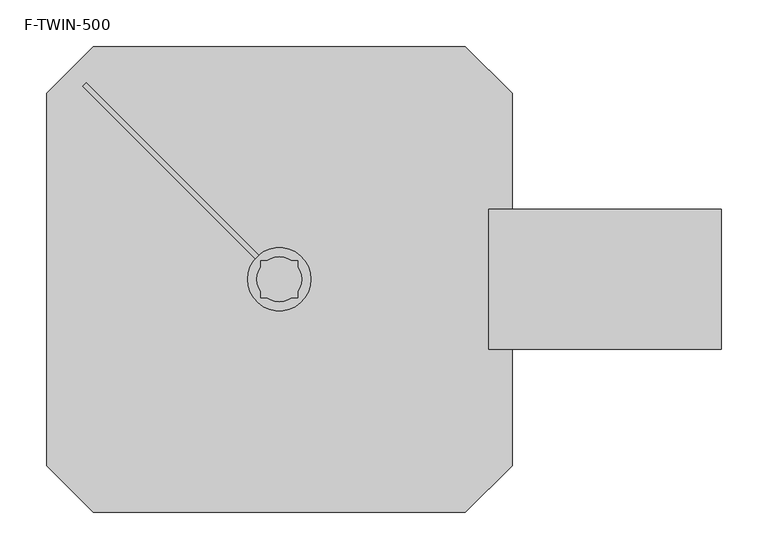
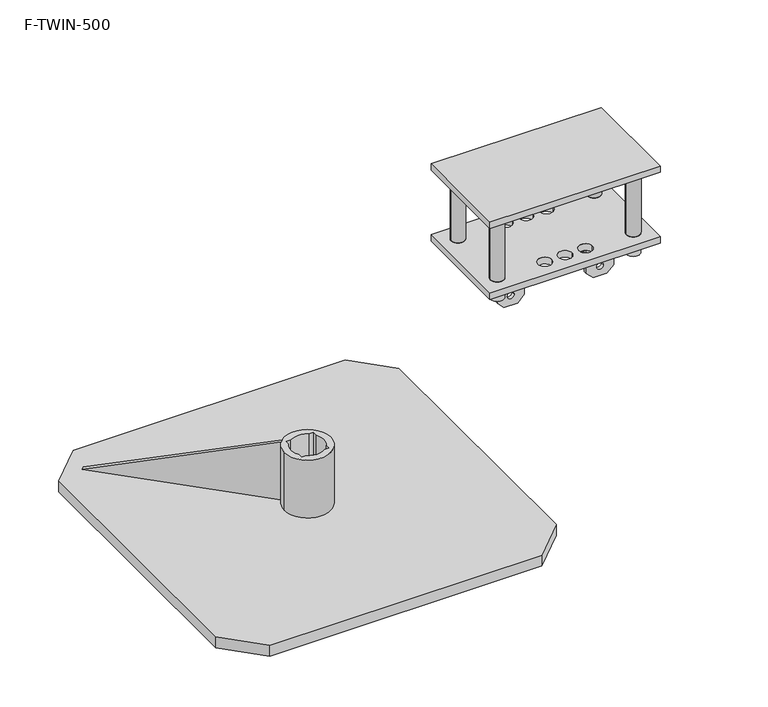
"""IFC4 building model written with IfcOpenShell, lengths in millimetres: beam geometry, F-TWIN-500."""

from ifc_helpers import new_model, si_unit, point, frame, frame_2d, origin, origin_with_axes, origin_2d, place, context, project, spatial, polyline, circle_curve, trimmed, segment, composite_curve, outline, extrude, source, transform, mapped, element, save


def f_twin_500_7c3d03f3(model_context):
    return source(origin(), model_context, "Body", "SweptSolid", [
        extrude(outline(polyline([(0.0, 0.0), (-247.7880551, -85.1180342), (-277.0270745, 0.0), (0.0, 0.0)])), frame((-211.0713742, 207.5358403, 17.0), z_axis=(0.7071067811865491, 0.7071067811865459, 0.0), x_axis=(-0.6687504353591679, 0.6687504353591709, -0.32487799312025273)), (0.0, 0.0, 1.0), 5.0),
        extrude(outline(composite_curve([segment(trimmed(circle_curve(origin_2d(), 34.0), [point((-34.0, 0.0))], [point((34.0, 0.0))], False, "CARTESIAN"), True, "CONTINUOUS"), segment(trimmed(circle_curve(origin_2d(), 34.0), [point((34.0, 0.0))], [point((-34.0, 0.0))], False, "CARTESIAN"), True, "CONTINUOUS")], self_intersect=False), holes=[composite_curve([segment(polyline([(-13.2664992, 20.0), (-20.0, 20.0), (-20.0, 13.2664992)]), True, "CONTINUOUS"), segment(trimmed(circle_curve(origin_2d(), 24.0), [point((-20.0, 13.2664992))], [point((-20.0, -13.2664992))], True, "CARTESIAN"), True, "CONTINUOUS"), segment(polyline([(-20.0, -13.2664992), (-20.0, -20.0), (-13.2664992, -20.0)]), True, "CONTINUOUS"), segment(trimmed(circle_curve(origin_2d(), 24.0), [point((-13.2664992, -20.0))], [point((13.2664992, -20.0))], True, "CARTESIAN"), True, "CONTINUOUS"), segment(polyline([(13.2664992, -20.0), (20.0, -20.0), (20.0, -13.2664992)]), True, "CONTINUOUS"), segment(trimmed(circle_curve(origin_2d(), 24.0), [point((20.0, -13.2664992))], [point((20.0, 13.2664992))], True, "CARTESIAN"), True, "CONTINUOUS"), segment(polyline([(20.0, 13.2664992), (20.0, 20.0), (13.2664992, 20.0)]), True, "CONTINUOUS"), segment(trimmed(circle_curve(origin_2d(), 24.0), [point((13.2664992, 20.0))], [point((-13.2664992, 20.0))], True, "CARTESIAN"), True, "CONTINUOUS")], self_intersect=False)]), frame((0.0, 0.0, 17.0), z_axis=(0.0, 0.0, 1.0), x_axis=(1.0, 0.0, 0.0)), (0.0, 0.0, 1.0), 90.0),
        extrude(outline(polyline([(200.0, 250.0), (250.0, 200.0), (250.0, -200.0), (200.0, -250.0), (-200.0, -250.0), (-250.0, -200.0), (-250.0, 200.0), (-200.0, 250.0), (200.0, 250.0)])), origin_with_axes(), (0.0, 0.0, 1.0), 17.0),
        extrude(outline(composite_curve([segment(trimmed(circle_curve(frame_2d((250.0, -50.0)), 10.0), [point((260.0, -50.0))], [point((240.0, -50.0))], False, "CARTESIAN"), True, "CONTINUOUS"), segment(trimmed(circle_curve(frame_2d((250.0, -50.0)), 10.0), [point((240.0, -50.0))], [point((260.0, -50.0))], False, "CARTESIAN"), True, "CONTINUOUS")], self_intersect=False)), frame((0.0, 0.0, 280.0), z_axis=(0.0, 0.0, 1.0), x_axis=(1.0, 0.0, 0.0)), (0.0, 0.0, 1.0), 30.0),
        extrude(outline(composite_curve([segment(trimmed(circle_curve(frame_2d((450.0, -50.0)), 10.0), [point((460.0, -50.0))], [point((440.0, -50.0))], False, "CARTESIAN"), True, "CONTINUOUS"), segment(trimmed(circle_curve(frame_2d((450.0, -50.0)), 10.0), [point((440.0, -50.0))], [point((460.0, -50.0))], False, "CARTESIAN"), True, "CONTINUOUS")], self_intersect=False)), frame((0.0, 0.0, 280.0), z_axis=(0.0, 0.0, 1.0), x_axis=(1.0, 0.0, 0.0)), (0.0, 0.0, 1.0), 30.0),
        extrude(outline(composite_curve([segment(trimmed(circle_curve(frame_2d((250.0, 50.0)), 10.0), [point((260.0, 50.0))], [point((240.0, 50.0))], False, "CARTESIAN"), True, "CONTINUOUS"), segment(trimmed(circle_curve(frame_2d((250.0, 50.0)), 10.0), [point((240.0, 50.0))], [point((260.0, 50.0))], False, "CARTESIAN"), True, "CONTINUOUS")], self_intersect=False)), frame((0.0, 0.0, 280.0), z_axis=(0.0, 0.0, 1.0), x_axis=(1.0, 0.0, 0.0)), (0.0, 0.0, 1.0), 30.0),
        extrude(outline(composite_curve([segment(trimmed(circle_curve(frame_2d((450.0, 50.0)), 10.0), [point((460.0, 50.0))], [point((440.0, 50.0))], False, "CARTESIAN"), True, "CONTINUOUS"), segment(trimmed(circle_curve(frame_2d((450.0, 50.0)), 10.0), [point((440.0, 50.0))], [point((460.0, 50.0))], False, "CARTESIAN"), True, "CONTINUOUS")], self_intersect=False)), frame((0.0, 0.0, 280.0), z_axis=(0.0, 0.0, 1.0), x_axis=(1.0, 0.0, 0.0)), (0.0, 0.0, 1.0), 30.0),
        extrude(outline(polyline([(225.0, -75.0), (225.0, 75.0), (475.0, 75.0), (475.0, -75.0), (225.0, -75.0)])), frame((0.0, 0.0, 410.0), z_axis=(0.0, 0.0, 1.0), x_axis=(1.0, 0.0, 0.0)), (0.0, 0.0, 1.0), 10.0),
        extrude(outline(composite_curve([segment(trimmed(circle_curve(frame_2d((250.0, 50.0)), 10.0), [point((240.0, 50.0))], [point((260.0, 50.0))], False, "CARTESIAN"), True, "CONTINUOUS"), segment(trimmed(circle_curve(frame_2d((250.0, 50.0)), 10.0), [point((260.0, 50.0))], [point((240.0, 50.0))], False, "CARTESIAN"), True, "CONTINUOUS")], self_intersect=False)), frame((0.0, 0.0, 310.0), z_axis=(0.0, 0.0, 1.0), x_axis=(1.0, 0.0, 0.0)), (0.0, 0.0, 1.0), 100.0),
        extrude(outline(composite_curve([segment(trimmed(circle_curve(frame_2d((250.0, -50.0)), 10.0), [point((240.0, -50.0))], [point((260.0, -50.0))], False, "CARTESIAN"), True, "CONTINUOUS"), segment(trimmed(circle_curve(frame_2d((250.0, -50.0)), 10.0), [point((260.0, -50.0))], [point((240.0, -50.0))], False, "CARTESIAN"), True, "CONTINUOUS")], self_intersect=False)), frame((0.0, 0.0, 310.0), z_axis=(0.0, 0.0, 1.0), x_axis=(1.0, 0.0, 0.0)), (0.0, 0.0, 1.0), 100.0),
        extrude(outline(composite_curve([segment(trimmed(circle_curve(frame_2d((450.0, 50.0)), 10.0), [point((440.0, 50.0))], [point((460.0, 50.0))], False, "CARTESIAN"), True, "CONTINUOUS"), segment(trimmed(circle_curve(frame_2d((450.0, 50.0)), 10.0), [point((460.0, 50.0))], [point((440.0, 50.0))], False, "CARTESIAN"), True, "CONTINUOUS")], self_intersect=False)), frame((0.0, 0.0, 310.0), z_axis=(0.0, 0.0, 1.0), x_axis=(1.0, 0.0, 0.0)), (0.0, 0.0, 1.0), 100.0),
        extrude(outline(composite_curve([segment(trimmed(circle_curve(frame_2d((450.0, -50.0)), 10.0), [point((440.0, -50.0))], [point((460.0, -50.0))], False, "CARTESIAN"), True, "CONTINUOUS"), segment(trimmed(circle_curve(frame_2d((450.0, -50.0)), 10.0), [point((460.0, -50.0))], [point((440.0, -50.0))], False, "CARTESIAN"), True, "CONTINUOUS")], self_intersect=False)), frame((0.0, 0.0, 310.0), z_axis=(0.0, 0.0, 1.0), x_axis=(1.0, 0.0, 0.0)), (0.0, 0.0, 1.0), 100.0),
        extrude(outline(polyline([(300.0, 395.6456915), (250.0, 395.6456915), (240.0, 405.6456915), (240.0, 425.6456915), (250.0, 435.6456915), (300.0, 435.6456915), (300.0, 395.6456915)]), holes=[composite_curve([segment(trimmed(circle_curve(frame_2d((255.0, 415.6456915)), 5.0), [point((255.0, 420.6456915))], [point((255.0, 410.6456915))], True, "CARTESIAN"), True, "CONTINUOUS"), segment(trimmed(circle_curve(frame_2d((255.0, 415.6456915)), 5.0), [point((255.0, 410.6456915))], [point((255.0, 420.6456915))], True, "CARTESIAN"), True, "CONTINUOUS")], self_intersect=False)]), frame((0.0, 20.0, 0.0), z_axis=(0.0, 1.0, 0.0), x_axis=(0.0, 0.0, 1.0)), (0.0, 0.0, 1.0), 5.0),
        extrude(outline(polyline([(300.0, 304.3543085), (300.0, 264.3543085), (250.0, 264.3543085), (240.0, 274.3543085), (240.0, 294.3543085), (250.0, 304.3543085), (300.0, 304.3543085)]), holes=[composite_curve([segment(trimmed(circle_curve(frame_2d((255.0, 284.3543085)), 5.0), [point((255.0, 279.3543085))], [point((255.0, 289.3543085))], True, "CARTESIAN"), True, "CONTINUOUS"), segment(trimmed(circle_curve(frame_2d((255.0, 284.3543085)), 5.0), [point((255.0, 289.3543085))], [point((255.0, 279.3543085))], True, "CARTESIAN"), True, "CONTINUOUS")], self_intersect=False)]), frame((0.0, 20.0, 0.0), z_axis=(0.0, 1.0, 0.0), x_axis=(0.0, 0.0, 1.0)), (0.0, 0.0, 1.0), 5.0),
        extrude(outline(polyline([(300.0, 395.6456915), (250.0, 395.6456915), (240.0, 405.6456915), (240.0, 425.6456915), (250.0, 435.6456915), (300.0, 435.6456915), (300.0, 395.6456915)]), holes=[composite_curve([segment(trimmed(circle_curve(frame_2d((255.0, 415.6456915)), 5.0), [point((255.0, 420.6456915))], [point((255.0, 410.6456915))], True, "CARTESIAN"), True, "CONTINUOUS"), segment(trimmed(circle_curve(frame_2d((255.0, 415.6456915)), 5.0), [point((255.0, 410.6456915))], [point((255.0, 420.6456915))], True, "CARTESIAN"), True, "CONTINUOUS")], self_intersect=False)]), frame((0.0, -25.0, 0.0), z_axis=(0.0, 1.0, 0.0), x_axis=(0.0, 0.0, 1.0)), (0.0, 0.0, 1.0), 5.0),
        extrude(outline(polyline([(300.0, 304.3543085), (300.0, 264.3543085), (250.0, 264.3543085), (240.0, 274.3543085), (240.0, 294.3543085), (250.0, 304.3543085), (300.0, 304.3543085)]), holes=[composite_curve([segment(trimmed(circle_curve(frame_2d((255.0, 284.3543085)), 5.0), [point((255.0, 279.3543085))], [point((255.0, 289.3543085))], True, "CARTESIAN"), True, "CONTINUOUS"), segment(trimmed(circle_curve(frame_2d((255.0, 284.3543085)), 5.0), [point((255.0, 289.3543085))], [point((255.0, 279.3543085))], True, "CARTESIAN"), True, "CONTINUOUS")], self_intersect=False)]), frame((0.0, -25.0, 0.0), z_axis=(0.0, 1.0, 0.0), x_axis=(0.0, 0.0, 1.0)), (0.0, 0.0, 1.0), 5.0),
        extrude(outline(polyline([(475.0, -75.0), (225.0, -75.0), (225.0, 75.0), (475.0, 75.0), (475.0, -75.0)]), holes=[composite_curve([segment(trimmed(circle_curve(frame_2d((250.0, 50.0)), 10.0), [point((240.0, 50.0))], [point((260.0, 50.0))], True, "CARTESIAN"), True, "CONTINUOUS"), segment(trimmed(circle_curve(frame_2d((250.0, 50.0)), 10.0), [point((260.0, 50.0))], [point((240.0, 50.0))], True, "CARTESIAN"), True, "CONTINUOUS")], self_intersect=False), composite_curve([segment(trimmed(circle_curve(frame_2d((350.0, 50.0)), 10.0), [point((340.0, 50.0))], [point((360.0, 50.0))], True, "CARTESIAN"), True, "CONTINUOUS"), segment(trimmed(circle_curve(frame_2d((350.0, 50.0)), 10.0), [point((360.0, 50.0))], [point((340.0, 50.0))], True, "CARTESIAN"), True, "CONTINUOUS")], self_intersect=False), composite_curve([segment(trimmed(circle_curve(frame_2d((320.0, 50.0)), 10.0), [point((310.0, 50.0))], [point((330.0, 50.0))], True, "CARTESIAN"), True, "CONTINUOUS"), segment(trimmed(circle_curve(frame_2d((320.0, 50.0)), 10.0), [point((330.0, 50.0))], [point((310.0, 50.0))], True, "CARTESIAN"), True, "CONTINUOUS")], self_intersect=False), composite_curve([segment(trimmed(circle_curve(frame_2d((450.0, 50.0)), 10.0), [point((460.0, 50.0))], [point((440.0, 50.0))], True, "CARTESIAN"), True, "CONTINUOUS"), segment(trimmed(circle_curve(frame_2d((450.0, 50.0)), 10.0), [point((440.0, 50.0))], [point((460.0, 50.0))], True, "CARTESIAN"), True, "CONTINUOUS")], self_intersect=False), composite_curve([segment(trimmed(circle_curve(frame_2d((380.0, 50.0)), 10.0), [point((390.0, 50.0))], [point((370.0, 50.0))], True, "CARTESIAN"), True, "CONTINUOUS"), segment(trimmed(circle_curve(frame_2d((380.0, 50.0)), 10.0), [point((370.0, 50.0))], [point((390.0, 50.0))], True, "CARTESIAN"), True, "CONTINUOUS")], self_intersect=False), composite_curve([segment(trimmed(circle_curve(frame_2d((250.0, -50.0)), 10.0), [point((240.0, -50.0))], [point((260.0, -50.0))], True, "CARTESIAN"), True, "CONTINUOUS"), segment(trimmed(circle_curve(frame_2d((250.0, -50.0)), 10.0), [point((260.0, -50.0))], [point((240.0, -50.0))], True, "CARTESIAN"), True, "CONTINUOUS")], self_intersect=False), composite_curve([segment(trimmed(circle_curve(frame_2d((350.0, -50.0)), 10.0), [point((340.0, -50.0))], [point((360.0, -50.0))], True, "CARTESIAN"), True, "CONTINUOUS"), segment(trimmed(circle_curve(frame_2d((350.0, -50.0)), 10.0), [point((360.0, -50.0))], [point((340.0, -50.0))], True, "CARTESIAN"), True, "CONTINUOUS")], self_intersect=False), composite_curve([segment(trimmed(circle_curve(frame_2d((320.0, -50.0)), 10.0), [point((310.0, -50.0))], [point((330.0, -50.0))], True, "CARTESIAN"), True, "CONTINUOUS"), segment(trimmed(circle_curve(frame_2d((320.0, -50.0)), 10.0), [point((330.0, -50.0))], [point((310.0, -50.0))], True, "CARTESIAN"), True, "CONTINUOUS")], self_intersect=False), composite_curve([segment(trimmed(circle_curve(frame_2d((450.0, -50.0)), 10.0), [point((460.0, -50.0))], [point((440.0, -50.0))], True, "CARTESIAN"), True, "CONTINUOUS"), segment(trimmed(circle_curve(frame_2d((450.0, -50.0)), 10.0), [point((440.0, -50.0))], [point((460.0, -50.0))], True, "CARTESIAN"), True, "CONTINUOUS")], self_intersect=False), composite_curve([segment(trimmed(circle_curve(frame_2d((380.0, -50.0)), 10.0), [point((390.0, -50.0))], [point((370.0, -50.0))], True, "CARTESIAN"), True, "CONTINUOUS"), segment(trimmed(circle_curve(frame_2d((380.0, -50.0)), 10.0), [point((370.0, -50.0))], [point((390.0, -50.0))], True, "CARTESIAN"), True, "CONTINUOUS")], self_intersect=False)]), frame((0.0, 0.0, 300.0), z_axis=(0.0, 0.0, 1.0), x_axis=(1.0, 0.0, 0.0)), (0.0, 0.0, 1.0), 10.0),
    ])


if __name__ == "__main__":
    model = new_model("IFC4")
    model_context = context("Model", 3, world=origin())
    ifc_project = project(units=[si_unit("LENGTHUNIT", "METRE", prefix="MILLI")], contexts=[model_context])
    site = spatial("IfcSite", under=ifc_project)
    building = spatial("IfcBuilding", under=site)
    placement = place(None, origin())
    f_twin_500_shape = f_twin_500_7c3d03f3(model_context)
    element("IfcBeam", 1, ObjectType="F-TWIN-500", at=placement, inside=building, context=model_context, shape_type="MappedRepresentation", body=[
        mapped(f_twin_500_shape, transform((0.0, 0.0, 0.0), x_axis=(1.0, 0.0, 0.0), y_axis=(0.0, 1.0, 0.0), z_axis=(0.0, 0.0, 1.0))),
    ])
    save(model, "model.ifc")
